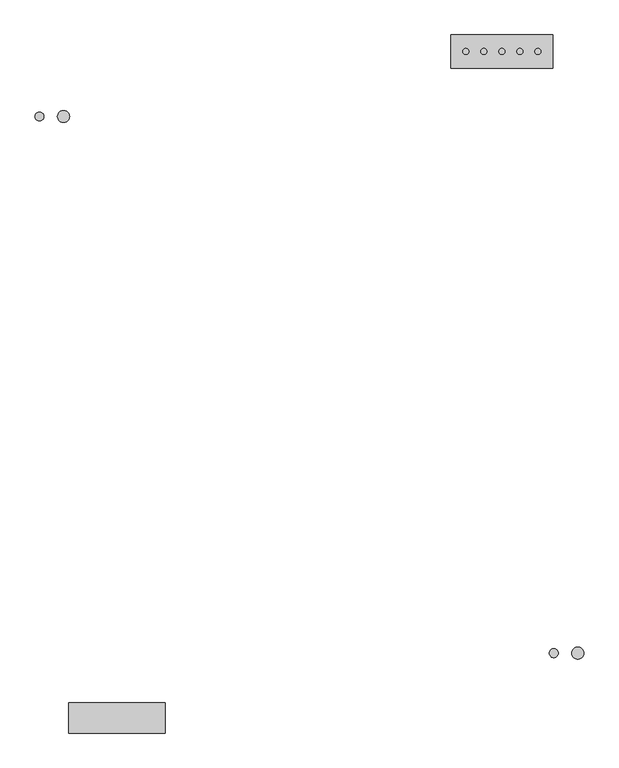
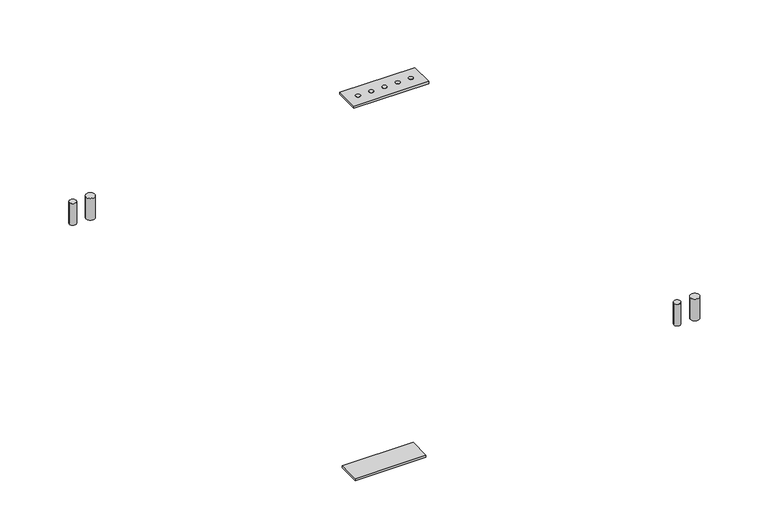
"""IFC4 building model written with IfcOpenShell, lengths in millimetres: proxy geometry."""

from ifc_helpers import new_model, si_unit, point, frame, frame_2d, origin, place, context, project, spatial, polyline, circle_curve, trimmed, segment, composite_curve, outline, extrude, source, transform, mapped, element, save


def mechanical_equipment_77020116(model_context):
    return source(origin(), model_context, "Body", "SweptSolid", [
        extrude(outline(composite_curve([segment(trimmed(circle_curve(frame_2d((242.6911047, 192.5203719)), 12.7), [point((229.9911047, 192.5203719))], [point((255.3911047, 192.5203719))], False, "CARTESIAN"), True, "CONTINUOUS"), segment(trimmed(circle_curve(frame_2d((242.6911047, 192.5203719)), 12.7), [point((255.3911047, 192.5203719))], [point((229.9911047, 192.5203719))], False, "CARTESIAN"), True, "CONTINUOUS")], self_intersect=False)), frame((0.0, 0.0, 61.2666507), z_axis=(0.0, 0.0, 1.0), x_axis=(1.0, 0.0, 0.0)), (0.0, 0.0, 1.0), 65.7333493),
        extrude(outline(composite_curve([segment(trimmed(circle_curve(frame_2d((191.8911047, 192.5203719)), 9.525), [point((182.3661047, 192.5203719))], [point((201.4161047, 192.5203719))], False, "CARTESIAN"), True, "CONTINUOUS"), segment(trimmed(circle_curve(frame_2d((191.8911047, 192.5203719)), 9.525), [point((201.4161047, 192.5203719))], [point((182.3661047, 192.5203719))], False, "CARTESIAN"), True, "CONTINUOUS")], self_intersect=False)), frame((0.0, 0.0, 61.2666507), z_axis=(0.0, 0.0, 1.0), x_axis=(1.0, 0.0, 0.0)), (0.0, 0.0, 1.0), 65.7333493),
        extrude(outline(composite_curve([segment(trimmed(circle_curve(frame_2d((1092.1027684, 329.7424825)), 6.35), [point((1085.7527684, 329.7424825))], [point((1098.4527684, 329.7424825))], False, "CARTESIAN"), True, "CONTINUOUS"), segment(trimmed(circle_curve(frame_2d((1092.1027684, 329.7424825)), 6.35), [point((1098.4527684, 329.7424825))], [point((1085.7527684, 329.7424825))], False, "CARTESIAN"), True, "CONTINUOUS")], self_intersect=False)), frame((0.0, 0.0, 44.45), z_axis=(0.0, 0.0, 1.0), x_axis=(1.0, 0.0, 0.0)), (0.0, 0.0, 1.0), 6.35),
        extrude(outline(composite_curve([segment(trimmed(circle_curve(frame_2d((1130.2027684, 329.7424825)), 6.35), [point((1123.8527684, 329.7424825))], [point((1136.5527684, 329.7424825))], False, "CARTESIAN"), True, "CONTINUOUS"), segment(trimmed(circle_curve(frame_2d((1130.2027684, 329.7424825)), 6.35), [point((1136.5527684, 329.7424825))], [point((1123.8527684, 329.7424825))], False, "CARTESIAN"), True, "CONTINUOUS")], self_intersect=False)), frame((0.0, 0.0, 44.45), z_axis=(0.0, 0.0, 1.0), x_axis=(1.0, 0.0, 0.0)), (0.0, 0.0, 1.0), 6.35),
        extrude(outline(composite_curve([segment(trimmed(circle_curve(frame_2d((1168.3027684, 329.7424825)), 6.35), [point((1161.9527684, 329.7424825))], [point((1174.6527684, 329.7424825))], False, "CARTESIAN"), True, "CONTINUOUS"), segment(trimmed(circle_curve(frame_2d((1168.3027684, 329.7424825)), 6.35), [point((1174.6527684, 329.7424825))], [point((1161.9527684, 329.7424825))], False, "CARTESIAN"), True, "CONTINUOUS")], self_intersect=False)), frame((0.0, 0.0, 44.45), z_axis=(0.0, 0.0, 1.0), x_axis=(1.0, 0.0, 0.0)), (0.0, 0.0, 1.0), 6.35),
        extrude(outline(composite_curve([segment(trimmed(circle_curve(frame_2d((1206.4027684, 329.7424825)), 6.35), [point((1200.0527684, 329.7424825))], [point((1212.7527684, 329.7424825))], False, "CARTESIAN"), True, "CONTINUOUS"), segment(trimmed(circle_curve(frame_2d((1206.4027684, 329.7424825)), 6.35), [point((1212.7527684, 329.7424825))], [point((1200.0527684, 329.7424825))], False, "CARTESIAN"), True, "CONTINUOUS")], self_intersect=False)), frame((0.0, 0.0, 44.45), z_axis=(0.0, 0.0, 1.0), x_axis=(1.0, 0.0, 0.0)), (0.0, 0.0, 1.0), 6.35),
        extrude(outline(composite_curve([segment(trimmed(circle_curve(frame_2d((1244.5027684, 329.7424825)), 6.35), [point((1238.1527684, 329.7424825))], [point((1250.8527684, 329.7424825))], False, "CARTESIAN"), True, "CONTINUOUS"), segment(trimmed(circle_curve(frame_2d((1244.5027684, 329.7424825)), 6.35), [point((1250.8527684, 329.7424825))], [point((1238.1527684, 329.7424825))], False, "CARTESIAN"), True, "CONTINUOUS")], self_intersect=False)), frame((0.0, 0.0, 44.45), z_axis=(0.0, 0.0, 1.0), x_axis=(1.0, 0.0, 0.0)), (0.0, 0.0, 1.0), 6.35),
        extrude(outline(polyline([(1060.3527684, 364.6674825), (1275.5379173, 364.6674825), (1275.5379173, 294.8174825), (1060.3527684, 294.8174825), (1060.3527684, 364.6674825)])), frame((0.0, 0.0, 44.45), z_axis=(0.0, 0.0, 1.0), x_axis=(1.0, 0.0, 0.0)), (0.0, 0.0, 1.0), 6.35),
        extrude(outline(polyline([(457.2, -1044.3321273), (457.2, -1108.244384), (254.0, -1108.244384), (254.0, -1044.3321273), (457.2, -1044.3321273)])), frame((0.0, 0.0, 44.45), z_axis=(0.0, 0.0, 1.0), x_axis=(1.0, 0.0, 0.0)), (0.0, 0.0, 1.0), 6.35),
        extrude(outline(composite_curve([segment(trimmed(circle_curve(frame_2d((1328.7375, -939.5571273)), 12.7), [point((1316.0375, -939.5571273))], [point((1341.4375, -939.5571273))], False, "CARTESIAN"), True, "CONTINUOUS"), segment(trimmed(circle_curve(frame_2d((1328.7375, -939.5571273)), 12.7), [point((1341.4375, -939.5571273))], [point((1316.0375, -939.5571273))], False, "CARTESIAN"), True, "CONTINUOUS")], self_intersect=False)), frame((0.0, 0.0, 61.2666507), z_axis=(0.0, 0.0, 1.0), x_axis=(1.0, 0.0, 0.0)), (0.0, 0.0, 1.0), 65.7333493),
        extrude(outline(composite_curve([segment(trimmed(circle_curve(frame_2d((1277.9375, -939.5571273)), 9.525), [point((1268.4125, -939.5571273))], [point((1287.4625, -939.5571273))], False, "CARTESIAN"), True, "CONTINUOUS"), segment(trimmed(circle_curve(frame_2d((1277.9375, -939.5571273)), 9.525), [point((1287.4625, -939.5571273))], [point((1268.4125, -939.5571273))], False, "CARTESIAN"), True, "CONTINUOUS")], self_intersect=False)), frame((0.0, 0.0, 61.2666507), z_axis=(0.0, 0.0, 1.0), x_axis=(1.0, 0.0, 0.0)), (0.0, 0.0, 1.0), 65.7333493),
    ])


if __name__ == "__main__":
    model = new_model("IFC4")
    model_context = context("Model", 3, world=origin())
    ifc_project = project(units=[si_unit("LENGTHUNIT", "METRE", prefix="MILLI")], contexts=[model_context])
    site = spatial("IfcSite", under=ifc_project)
    building = spatial("IfcBuilding", under=site)
    placement = place(None, origin())
    mechanical_equipment_shape = mechanical_equipment_77020116(model_context)
    element("IfcBuildingElementProxy", 1, Name="Mechanical Equipment", at=placement, inside=building, context=model_context, shape_type="MappedRepresentation", body=[
        mapped(mechanical_equipment_shape, transform((0.0, 0.0, 0.0), x_axis=(1.0, 0.0, 0.0), y_axis=(0.0, 1.0, 0.0), z_axis=(0.0, 0.0, 1.0))),
    ])
    save(model, "model.ifc")
